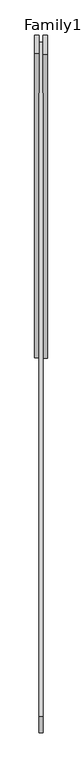
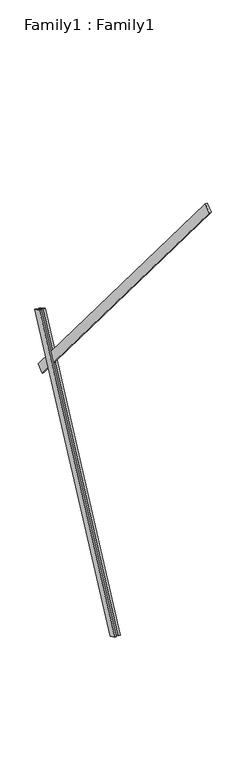
"""IFC4 building model written with IfcOpenShell, lengths in millimetres: proxy geometry, Family1 : Family1."""

from ifc_helpers import new_model, si_unit, frame, origin, place, context, project, spatial, polyline, outline, extrude, source, transform, mapped, element, save


def family1_family1_71ca0f46(model_context):
    return source(origin(), model_context, "Body", "SweptSolid", [
        extrude(outline(polyline([(0.0, 0.0), (0.0, -20.0), (-100.0000001, -20.0), (-100.0000001, 0.0), (0.0, 0.0)])), frame((-30.0, 46.3241747, -22.5938096), z_axis=(0.0, 0.4383711467890692, 0.8987940462991711), x_axis=(0.0, 0.8987940462991711, -0.4383711467890692)), (0.0, 0.0, 1.0), 3300.0),
        extrude(outline(polyline([(0.0, 0.0), (0.0, -20.0), (-99.9999999, -20.0), (-99.9999999, 0.0), (0.0, 0.0)])), frame((10.0, 45.270232, -22.0797674), z_axis=(0.0, 0.4383711467890692, 0.8987940462991711), x_axis=(0.0, 0.8987940462991711, -0.4383711467890692)), (0.0, 0.0, 1.0), 3300.0),
        extrude(outline(polyline([(0.0, 0.0), (0.0, -99.9999999), (-20.0, -99.9999999), (-20.0, 0.0), (0.0, 0.0)])), frame((10.0, 1459.6945889, 2317.6183399), z_axis=(0.0, -0.6427876096865379, 0.7660444431189792), x_axis=(1.0, 0.0, 0.0)), (0.0, 0.0, 1.0), 5000.0),
    ])


if __name__ == "__main__":
    model = new_model("IFC4")
    model_context = context("Model", 3, world=origin())
    ifc_project = project(units=[si_unit("LENGTHUNIT", "METRE", prefix="MILLI")], contexts=[model_context])
    site = spatial("IfcSite", under=ifc_project)
    building = spatial("IfcBuilding", under=site)
    placement = place(None, origin())
    family1_family1_shape = family1_family1_71ca0f46(model_context)
    element("IfcBuildingElementProxy", 1, Name="Family1 : Family1", ObjectType="Family1 : Family1", at=placement, inside=building, context=model_context, shape_type="MappedRepresentation", body=[
        mapped(family1_family1_shape, transform((0.0, 0.0, 0.0), x_axis=(1.0, 0.0, 0.0), y_axis=(0.0, 1.0, 0.0), z_axis=(0.0, 0.0, 1.0))),
    ])
    save(model, "model.ifc")
